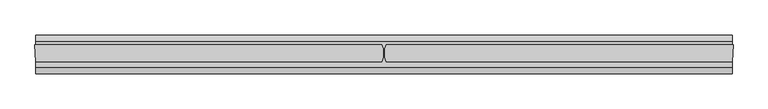
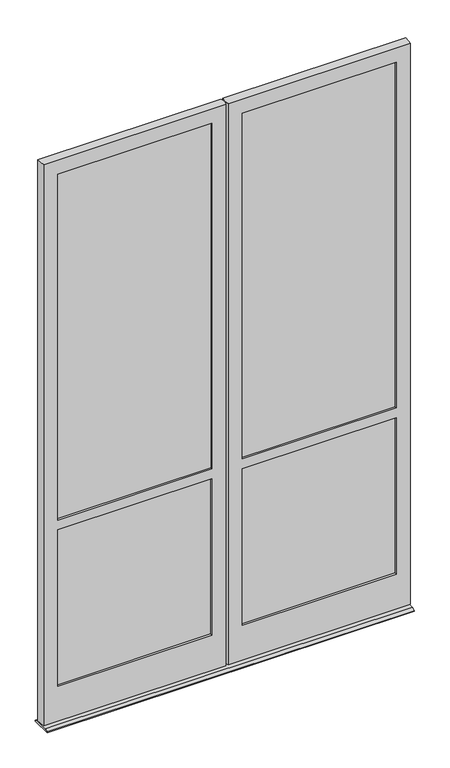
"""IFC4 building model written with IfcOpenShell, lengths in millimetres: plate geometry."""

from ifc_helpers import new_model, si_unit, frame, origin, place, context, project, spatial, polyline, circle_curve, outline, extrude, source, transform, mapped, element, save
from ifc_brep_helpers import plane_surface, cylinder_surface, advanced_brep


def plate_b53ef6da(model_context):
    return source(origin(), model_context, "Body", "SolidModel", [
        extrude(outline(polyline([(5.5371546, 12.7), (22.225, 4.9183299), (22.225, 0.0), (-79.3750908, 0.0), (-79.3750908, 4.9183299), (-62.6872454, 12.7), (5.5371546, 12.7)])), frame((-910.0915708, 0.0, 0.0), z_axis=(1.0, 0.0, 0.0), x_axis=(0.0, 1.0, 0.0)), (0.0, 0.0, 1.0), 1820.1831416),
        advanced_brep(
        [(-912.8125, -3.175, 2962.275), (-910.0439, -47.625, 2962.275), (-5.5889985, -47.625, 2962.275), (-5.6038941, -3.175, 2962.275), (-912.8125, -3.175, 17.4625), (-5.6038941, -3.175, 17.4625), (-839.7875, -3.175, 2886.075), (-839.7875, -3.175, 1073.15), (-74.6125, -3.175, 1073.15), (-74.6125, -3.175, 2886.075), (-839.7875, -3.175, 1022.35), (-839.7875, -3.175, 201.6125), (-74.6125, -3.175, 201.6125), (-74.6125, -3.175, 1022.35), (-910.0439, -47.625, 17.4625), (-5.5889985, -47.625, 17.4625), (-839.7875, -47.625, 201.6125), (-839.7875, -47.625, 1022.35), (-74.6125, -47.625, 1022.35), (-74.6125, -47.625, 201.6125), (-839.7875, -47.625, 1073.15), (-839.7875, -47.625, 2886.075), (-74.6125, -47.625, 2886.075), (-74.6125, -47.625, 1073.15), (-839.7875, -12.7, 201.6125), (-74.6125, -12.7, 201.6125), (-846.93125, -12.7, 194.46875), (-846.93125, -38.1, 194.46875), (-67.46875, -38.1, 194.46875), (-67.46875, -12.7, 194.46875), (-839.7875, -38.1, 201.6125), (-74.6125, -38.1, 201.6125), (-839.7875, -38.1, 1022.35), (-839.7875, -38.1, 2886.075), (-839.7875, -38.1, 1073.15), (-846.93125, -12.7, 1029.49375), (-846.93125, -38.1, 1029.49375), (-846.93125, -12.7, 2893.21875), (-846.93125, -38.1, 2893.21875), (-846.93125, -38.1, 1066.00625), (-846.93125, -12.7, 1066.00625), (-839.7875, -12.7, 1022.35), (-839.7875, -12.7, 2886.075), (-839.7875, -12.7, 1073.15), (-74.6125, -12.7, 1022.35), (-74.6125, -12.7, 1073.15), (-74.6125, -12.7, 2886.075), (-67.46875, -38.1, 1029.49375), (-67.46875, -12.7, 1029.49375), (-67.46875, -38.1, 2893.21875), (-67.46875, -12.7, 2893.21875), (-67.46875, -12.7, 1066.00625), (-67.46875, -38.1, 1066.00625), (-74.6125, -38.1, 2886.075), (-74.6125, -38.1, 1073.15), (-74.6125, -38.1, 1022.35)],
        [
            (0, 1),
            (1, 2),
            (2, 3, circle_curve(frame((-65.0875, -25.4, 2962.275), z_axis=(0.0, 0.0, 1.0), x_axis=(0.0, -1.0, 0.0)), 63.5)),
            (3, 0),
            (4, 0),
            (3, 5),
            (5, 4),
            (6, 7),
            (7, 8),
            (8, 9),
            (9, 6),
            (10, 11),
            (11, 12),
            (12, 13),
            (13, 10),
            (1, 14),
            (14, 15),
            (15, 2),
            (16, 17),
            (17, 18),
            (18, 19),
            (19, 16),
            (20, 21),
            (21, 22),
            (22, 23),
            (23, 20),
            (14, 4),
            (5, 15, circle_curve(frame((-65.0875, -25.4, 17.4625), z_axis=(0.0, 0.0, -1.0), x_axis=(0.0, -1.0, 0.0)), 63.5)),
            (11, 24),
            (24, 25),
            (25, 12),
            (26, 27),
            (27, 28),
            (28, 29),
            (29, 26),
            (30, 16),
            (19, 31),
            (31, 30),
            (30, 32),
            (32, 17),
            (33, 21),
            (20, 34),
            (34, 33),
            (26, 35),
            (35, 36),
            (36, 27),
            (37, 38),
            (38, 39),
            (39, 40),
            (40, 37),
            (10, 41),
            (41, 24),
            (6, 42),
            (42, 43),
            (43, 7),
            (25, 44),
            (44, 13),
            (45, 46),
            (46, 9),
            (8, 45),
            (28, 47),
            (47, 48),
            (48, 29),
            (49, 50),
            (50, 51),
            (51, 52),
            (52, 49),
            (22, 53),
            (53, 54),
            (54, 23),
            (55, 31),
            (18, 55),
            (46, 42),
            (48, 35),
            (41, 44),
            (40, 51),
            (50, 37),
            (45, 43),
            (49, 38),
            (36, 47),
            (55, 32),
            (52, 39),
            (34, 54),
            (53, 33),
        ],
        [
            plane_surface(frame((-910.0439, -47.625, 2962.275), z_axis=(0.0, 0.0, 1.0), x_axis=(1.0, 0.0, 0.0))),
            plane_surface(frame((-910.0439, -3.175, 2962.275), z_axis=(0.0, 1.0, 0.0), x_axis=(1.0, 0.0, 0.0))),
            plane_surface(frame((-910.0439, -47.625, 2886.075), z_axis=(0.0, -1.0, 0.0), x_axis=(1.0, 0.0, 0.0))),
            plane_surface(frame((-914.4, -25.4, 17.4625), z_axis=(0.0, 0.0, -1.0), x_axis=(0.0, -1.0, 0.0))),
            plane_surface(frame((-5.5889985, -3.175, 201.6125), z_axis=(0.0, 0.0, 1.0), x_axis=(-1.0, 0.0, 0.0))),
            plane_surface(frame((-5.5889985, -12.7, 194.46875), z_axis=(0.0, 0.0, 1.0), x_axis=(-1.0, 0.0, 0.0))),
            plane_surface(frame((-5.5889985, -38.1, 201.6125), z_axis=(0.0, 0.0, 1.0), x_axis=(-1.0, 0.0, 0.0))),
            plane_surface(frame((-839.7875, -47.625, 2962.275), z_axis=(1.0, 0.0, 0.0), x_axis=(0.0, 0.0, -1.0))),
            plane_surface(frame((-846.93125, -38.1, 2962.275), z_axis=(1.0, 0.0, 0.0), x_axis=(0.0, 0.0, -1.0))),
            plane_surface(frame((-839.7875, -12.7, 2962.275), z_axis=(1.0, 0.0, 0.0), x_axis=(0.0, 0.0, -1.0))),
            cylinder_surface(frame((-65.0875, -25.4, 2962.275), z_axis=(0.0, 0.0, 1.0), x_axis=(0.0, -1.0, 0.0)), 63.5),
            plane_surface(frame((-74.6125, -3.175, 2962.275), z_axis=(-1.0, 0.0, 0.0), x_axis=(0.0, 0.0, -1.0))),
            plane_surface(frame((-67.46875, -12.7, 2962.275), z_axis=(-1.0, 0.0, 0.0), x_axis=(0.0, 0.0, -1.0))),
            plane_surface(frame((-74.6125, -38.1, 2962.275), z_axis=(-1.0, 0.0, 0.0), x_axis=(0.0, 0.0, -1.0))),
            plane_surface(frame((-910.0439, -3.175, 2886.075), z_axis=(0.0, 0.0, -1.0), x_axis=(1.0, 0.0, 0.0))),
            plane_surface(frame((-910.0439, -12.7, 2886.075), z_axis=(0.0, -1.0, 0.0), x_axis=(1.0, 0.0, 0.0))),
            plane_surface(frame((-910.0439, -12.7, 2893.21875), z_axis=(0.0, 0.0, -1.0), x_axis=(1.0, 0.0, 0.0))),
            plane_surface(frame((-910.0439, -38.1, 2893.21875), z_axis=(0.0, 1.0, 0.0), x_axis=(1.0, 0.0, 0.0))),
            plane_surface(frame((-910.0439, -38.1, 2886.075), z_axis=(0.0, 0.0, -1.0), x_axis=(1.0, 0.0, 0.0))),
            plane_surface(frame((-67.46875, -3.175, 1073.15), z_axis=(0.0, 0.0, 1.0), x_axis=(-1.0, 0.0, 0.0))),
            plane_surface(frame((-67.46875, -12.7, 1066.00625), z_axis=(0.0, 0.0, 1.0), x_axis=(-1.0, 0.0, 0.0))),
            plane_surface(frame((-67.46875, -38.1, 1073.15), z_axis=(0.0, 0.0, 1.0), x_axis=(-1.0, 0.0, 0.0))),
            plane_surface(frame((-67.46875, -47.625, 1022.35), z_axis=(0.0, 0.0, -1.0), x_axis=(-1.0, 0.0, 0.0))),
            plane_surface(frame((-67.46875, -38.1, 1029.49375), z_axis=(0.0, 0.0, -1.0), x_axis=(-1.0, 0.0, 0.0))),
            plane_surface(frame((-67.46875, -12.7, 1022.35), z_axis=(0.0, 0.0, -1.0), x_axis=(-1.0, 0.0, 0.0))),
            plane_surface(frame((-912.8125, -3.175, 2962.275), z_axis=(-0.9980658706879217, -0.06216524565994185, 0.0), x_axis=(0.0, 0.0, -1.0))),
        ],
        [
            (0, [[1, 2, 3, 4]]),
            (1, [[5, -4, 6, 7], [8, 9, 10, 11], [12, 13, 14, 15]]),
            (2, [[16, 17, 18, -2], [19, 20, 21, 22], [23, 24, 25, 26]]),
            (3, [[27, -7, 28, -17]]),
            (4, [[29, 30, 31, -13]]),
            (5, [[32, 33, 34, 35]]),
            (6, [[36, -22, 37, 38]]),
            (7, [[-36, 39, 40, -19]]),
            (7, [[41, -23, 42, 43]]),
            (8, [[-32, 44, 45, 46]]),
            (8, [[47, 48, 49, 50]]),
            (9, [[-29, -12, 51, 52]]),
            (9, [[53, 54, 55, -8]]),
            (10, [[-3, -18, -28, -6]]),
            (11, [[-14, -31, 56, 57]]),
            (11, [[58, 59, -10, 60]]),
            (12, [[-34, 61, 62, 63]]),
            (12, [[64, 65, 66, 67]]),
            (13, [[-25, 68, 69, 70]]),
            (13, [[71, -37, -21, 72]]),
            (14, [[-53, -11, -59, 73]]),
            (15, [[-44, -35, -63, 74], [-52, 75, -56, -30]]),
            (15, [[-50, 76, -65, 77], [-54, -73, -58, 78]]),
            (16, [[-47, -77, -64, 79]]),
            (17, [[-46, 80, -61, -33], [-39, -38, -71, 81]]),
            (17, [[-48, -79, -67, 82], [-43, 83, -69, 84]]),
            (18, [[-41, -84, -68, -24]]),
            (19, [[-55, -78, -60, -9]]),
            (20, [[-49, -82, -66, -76]]),
            (21, [[-42, -26, -70, -83]]),
            (22, [[-40, -81, -72, -20]]),
            (23, [[-45, -74, -62, -80]]),
            (24, [[-51, -15, -57, -75]]),
            (25, [[-1, -5, -27, -16]]),
        ],
    ),
        advanced_brep(
        [(910.0439, -47.625, 2962.275), (912.8125, -3.175, 2962.275), (5.6038941, -3.175, 2962.275), (5.6038941, -47.625, 2962.275), (5.6038941, -47.625, 17.4625), (5.6038941, -3.175, 17.4625), (912.8125, -3.175, 17.4625), (910.0439, -47.625, 17.4625), (74.6125, -38.1, 1022.35), (74.6125, -47.625, 1022.35), (74.6125, -47.625, 201.6125), (74.6125, -38.1, 201.6125), (74.6125, -38.1, 2886.075), (74.6125, -47.625, 2886.075), (74.6125, -47.625, 1073.15), (74.6125, -38.1, 1073.15), (67.46875, -12.7, 2893.21875), (67.46875, -38.1, 2893.21875), (67.46875, -38.1, 1066.00625), (67.46875, -12.7, 1066.00625), (67.46875, -12.7, 194.46875), (67.46875, -12.7, 1029.49375), (67.46875, -38.1, 1029.49375), (67.46875, -38.1, 194.46875), (74.6125, -3.175, 1022.35), (74.6125, -12.7, 1022.35), (74.6125, -12.7, 201.6125), (74.6125, -3.175, 201.6125), (74.6125, -3.175, 2886.075), (74.6125, -12.7, 2886.075), (74.6125, -12.7, 1073.15), (74.6125, -3.175, 1073.15), (839.7875, -3.175, 201.6125), (839.7875, -12.7, 201.6125), (846.93125, -38.1, 194.46875), (846.93125, -12.7, 194.46875), (839.7875, -38.1, 201.6125), (839.7875, -47.625, 201.6125), (839.7875, -3.175, 1073.15), (839.7875, -12.7, 1073.15), (846.93125, -38.1, 1066.00625), (846.93125, -12.7, 1066.00625), (839.7875, -38.1, 1073.15), (839.7875, -47.625, 1073.15), (839.7875, -38.1, 1022.35), (839.7875, -47.625, 1022.35), (846.93125, -12.7, 1029.49375), (846.93125, -38.1, 1029.49375), (839.7875, -3.175, 1022.35), (839.7875, -12.7, 1022.35), (839.7875, -12.7, 2886.075), (839.7875, -3.175, 2886.075), (846.93125, -12.7, 2893.21875), (846.93125, -38.1, 2893.21875), (839.7875, -47.625, 2886.075), (839.7875, -38.1, 2886.075)],
        [
            (0, 1),
            (1, 2),
            (2, 3, circle_curve(frame((65.0875, -25.4, 2962.275), z_axis=(0.0, 0.0, 1.0), x_axis=(0.0, -1.0, 0.0)), 63.5)),
            (3, 0),
            (4, 5, circle_curve(frame((65.0875, -25.4, 17.4625), z_axis=(0.0, 0.0, -1.0), x_axis=(0.0, -1.0, 0.0)), 63.5)),
            (5, 6),
            (6, 7),
            (7, 4),
            (8, 9),
            (9, 10),
            (10, 11),
            (11, 8),
            (12, 13),
            (13, 14),
            (14, 15),
            (15, 12),
            (16, 17),
            (17, 18),
            (18, 19),
            (19, 16),
            (20, 21),
            (21, 22),
            (22, 23),
            (23, 20),
            (24, 25),
            (25, 26),
            (26, 27),
            (27, 24),
            (28, 29),
            (29, 30),
            (30, 31),
            (31, 28),
            (4, 3),
            (2, 5),
            (32, 27),
            (26, 33),
            (33, 32),
            (23, 34),
            (34, 35),
            (35, 20),
            (36, 11),
            (10, 37),
            (37, 36),
            (38, 31),
            (30, 39),
            (39, 38),
            (40, 41),
            (41, 19),
            (18, 40),
            (42, 15),
            (14, 43),
            (43, 42),
            (8, 44),
            (44, 45),
            (45, 9),
            (46, 47),
            (47, 22),
            (21, 46),
            (24, 48),
            (48, 49),
            (49, 25),
            (50, 29),
            (28, 51),
            (51, 50),
            (52, 53),
            (53, 17),
            (16, 52),
            (54, 13),
            (12, 55),
            (55, 54),
            (48, 32),
            (33, 49),
            (51, 38),
            (39, 50),
            (35, 46),
            (41, 52),
            (40, 53),
            (34, 47),
            (36, 44),
            (42, 55),
            (37, 45),
            (43, 54),
            (7, 0),
            (1, 6),
        ],
        [
            plane_surface(frame((-910.0439, -47.625, 2962.275), z_axis=(0.0, 0.0, 1.0), x_axis=(1.0, 0.0, 0.0))),
            plane_surface(frame((-914.4, -25.4, 17.4625), z_axis=(0.0, 0.0, -1.0), x_axis=(0.0, -1.0, 0.0))),
            plane_surface(frame((74.6125, -47.625, 2962.275), z_axis=(1.0, 0.0, 0.0), x_axis=(0.0, 0.0, -1.0))),
            plane_surface(frame((67.46875, -38.1, 2962.275), z_axis=(1.0, 0.0, 0.0), x_axis=(0.0, 0.0, -1.0))),
            plane_surface(frame((74.6125, -12.7, 2962.275), z_axis=(1.0, 0.0, 0.0), x_axis=(0.0, 0.0, -1.0))),
            cylinder_surface(frame((65.0875, -25.4, 2962.275), z_axis=(0.0, 0.0, 1.0), x_axis=(0.0, -1.0, 0.0)), 63.5),
            plane_surface(frame((903.3446958, -3.175, 201.6125), z_axis=(0.0, 0.0, 1.0), x_axis=(-1.0, 0.0, 0.0))),
            plane_surface(frame((903.3446958, -12.7, 194.46875), z_axis=(0.0, 0.0, 1.0), x_axis=(-1.0, 0.0, 0.0))),
            plane_surface(frame((903.3446958, -38.1, 201.6125), z_axis=(0.0, 0.0, 1.0), x_axis=(-1.0, 0.0, 0.0))),
            plane_surface(frame((846.93125, -3.175, 1073.15), z_axis=(0.0, 0.0, 1.0), x_axis=(-1.0, 0.0, 0.0))),
            plane_surface(frame((846.93125, -12.7, 1066.00625), z_axis=(0.0, 0.0, 1.0), x_axis=(-1.0, 0.0, 0.0))),
            plane_surface(frame((846.93125, -38.1, 1073.15), z_axis=(0.0, 0.0, 1.0), x_axis=(-1.0, 0.0, 0.0))),
            plane_surface(frame((846.93125, -47.625, 1022.35), z_axis=(0.0, 0.0, -1.0), x_axis=(-1.0, 0.0, 0.0))),
            plane_surface(frame((846.93125, -38.1, 1029.49375), z_axis=(0.0, 0.0, -1.0), x_axis=(-1.0, 0.0, 0.0))),
            plane_surface(frame((846.93125, -12.7, 1022.35), z_axis=(0.0, 0.0, -1.0), x_axis=(-1.0, 0.0, 0.0))),
            plane_surface(frame((5.5889985, -3.175, 2886.075), z_axis=(0.0, 0.0, -1.0), x_axis=(1.0, 0.0, 0.0))),
            plane_surface(frame((5.5889985, -12.7, 2893.21875), z_axis=(0.0, 0.0, -1.0), x_axis=(1.0, 0.0, 0.0))),
            plane_surface(frame((5.5889985, -38.1, 2886.075), z_axis=(0.0, 0.0, -1.0), x_axis=(1.0, 0.0, 0.0))),
            plane_surface(frame((839.7875, -3.175, 2962.275), z_axis=(-1.0, 0.0, 0.0), x_axis=(0.0, 0.0, -1.0))),
            plane_surface(frame((839.7875, -12.7, 2962.275), z_axis=(0.0, -1.0, 0.0), x_axis=(0.0, 0.0, -1.0))),
            plane_surface(frame((846.93125, -12.7, 2962.275), z_axis=(-1.0, 0.0, 0.0), x_axis=(0.0, 0.0, -1.0))),
            plane_surface(frame((846.93125, -38.1, 2962.275), z_axis=(0.0, 1.0, 0.0), x_axis=(0.0, 0.0, -1.0))),
            plane_surface(frame((839.7875, -38.1, 2962.275), z_axis=(-1.0, 0.0, 0.0), x_axis=(0.0, 0.0, -1.0))),
            plane_surface(frame((839.7875, -47.625, 2962.275), z_axis=(0.0, -1.0, 0.0), x_axis=(0.0, 0.0, -1.0))),
            plane_surface(frame((912.8125, -3.175, 2962.275), z_axis=(0.0, 1.0, 0.0), x_axis=(0.0, 0.0, -1.0))),
            plane_surface(frame((910.0439, -47.625, 2962.275), z_axis=(0.9980658706879202, -0.062165245659966076, 0.0), x_axis=(0.0, 0.0, -1.0))),
        ],
        [
            (0, [[1, 2, 3, 4]]),
            (1, [[5, 6, 7, 8]]),
            (2, [[9, 10, 11, 12]]),
            (2, [[13, 14, 15, 16]]),
            (3, [[17, 18, 19, 20]]),
            (3, [[21, 22, 23, 24]]),
            (4, [[25, 26, 27, 28]]),
            (4, [[29, 30, 31, 32]]),
            (5, [[33, -3, 34, -5]]),
            (6, [[35, -27, 36, 37]]),
            (7, [[38, 39, 40, -24]]),
            (8, [[41, -11, 42, 43]]),
            (9, [[44, -31, 45, 46]]),
            (10, [[47, 48, -19, 49]]),
            (11, [[50, -15, 51, 52]]),
            (12, [[53, 54, 55, -9]]),
            (13, [[56, 57, -22, 58]]),
            (14, [[59, 60, 61, -25]]),
            (15, [[62, -29, 63, 64]]),
            (16, [[65, 66, -17, 67]]),
            (17, [[68, -13, 69, 70]]),
            (18, [[-60, 71, -37, 72]]),
            (18, [[-64, 73, -46, 74]]),
            (19, [[-58, -21, -40, 75], [-61, -72, -36, -26]]),
            (19, [[-67, -20, -48, 76], [-62, -74, -45, -30]]),
            (20, [[-65, -76, -47, 77]]),
            (20, [[78, -56, -75, -39]]),
            (21, [[-57, -78, -38, -23], [-53, -12, -41, 79]]),
            (21, [[-66, -77, -49, -18], [-69, -16, -50, 80]]),
            (22, [[-54, -79, -43, 81]]),
            (22, [[-70, -80, -52, 82]]),
            (23, [[-8, 83, -4, -33], [-68, -82, -51, -14], [-81, -42, -10, -55]]),
            (24, [[84, -6, -34, -2], [-63, -32, -44, -73], [-28, -35, -71, -59]]),
            (25, [[-1, -83, -7, -84]]),
        ],
    ),
        extrude(outline(polyline([(846.93125, -36.5125), (67.46875, -36.5125), (67.46875, -30.2617188), (846.93125, -30.2617188), (846.93125, -36.5125)])), frame((0.0, 0.0, 194.46875), z_axis=(0.0, 0.0, 1.0), x_axis=(1.0, 0.0, 0.0)), (0.0, 0.0, 1.0), 835.025),
        extrude(outline(polyline([(67.46875, -11.1125), (846.93125, -11.1125), (846.93125, -17.3632813), (67.46875, -17.3632813), (67.46875, -11.1125)])), frame((0.0, 0.0, 194.46875), z_axis=(0.0, 0.0, 1.0), x_axis=(1.0, 0.0, 0.0)), (0.0, 0.0, 1.0), 835.025),
        extrude(outline(polyline([(-846.93125, -11.1125), (-67.46875, -11.1125), (-67.46875, -17.3632813), (-846.93125, -17.3632813), (-846.93125, -11.1125)])), frame((0.0, 0.0, 194.46875), z_axis=(0.0, 0.0, 1.0), x_axis=(1.0, 0.0, 0.0)), (0.0, 0.0, 1.0), 835.025),
        extrude(outline(polyline([(-67.46875, -36.5125), (-846.93125, -36.5125), (-846.93125, -30.2617188), (-67.46875, -30.2617188), (-67.46875, -36.5125)])), frame((0.0, 0.0, 194.46875), z_axis=(0.0, 0.0, 1.0), x_axis=(1.0, 0.0, 0.0)), (0.0, 0.0, 1.0), 835.025),
        extrude(outline(polyline([(846.93125, -12.7), (846.93125, -18.9507813), (67.46875, -18.9507813), (67.46875, -12.7), (846.93125, -12.7)])), frame((0.0, 0.0, 1066.00625), z_axis=(0.0, 0.0, 1.0), x_axis=(1.0, 0.0, 0.0)), (0.0, 0.0, 1.0), 1827.2125),
        extrude(outline(polyline([(67.46875, -38.1), (67.46875, -31.8492188), (846.93125, -31.8492188), (846.93125, -38.1), (67.46875, -38.1)])), frame((0.0, 0.0, 1066.00625), z_axis=(0.0, 0.0, 1.0), x_axis=(1.0, 0.0, 0.0)), (0.0, 0.0, 1.0), 1827.2125),
        extrude(outline(polyline([(-67.46875, -12.7), (-67.46875, -18.9507813), (-846.93125, -18.9507813), (-846.93125, -12.7), (-67.46875, -12.7)])), frame((0.0, 0.0, 1066.00625), z_axis=(0.0, 0.0, 1.0), x_axis=(1.0, 0.0, 0.0)), (0.0, 0.0, 1.0), 1827.2125),
        extrude(outline(polyline([(-846.93125, -38.1), (-846.93125, -31.8492188), (-67.46875, -31.8492188), (-67.46875, -38.1), (-846.93125, -38.1)])), frame((0.0, 0.0, 1066.00625), z_axis=(0.0, 0.0, 1.0), x_axis=(1.0, 0.0, 0.0)), (0.0, 0.0, 1.0), 1827.2125),
    ])


if __name__ == "__main__":
    model = new_model("IFC4")
    model_context = context("Model", 3, world=origin())
    ifc_project = project(units=[si_unit("LENGTHUNIT", "METRE", prefix="MILLI")], contexts=[model_context])
    site = spatial("IfcSite", under=ifc_project)
    building = spatial("IfcBuilding", under=site)
    placement = place(None, origin())
    plate_shape = plate_b53ef6da(model_context)
    element("IfcPlate", 1, at=placement, inside=building, context=model_context, shape_type="MappedRepresentation", body=[
        mapped(plate_shape, transform((0.0, 0.0, 0.0), x_axis=(1.0, 0.0, 0.0), y_axis=(0.0, 1.0, 0.0), z_axis=(0.0, 0.0, 1.0))),
    ])
    save(model, "model.ifc")
